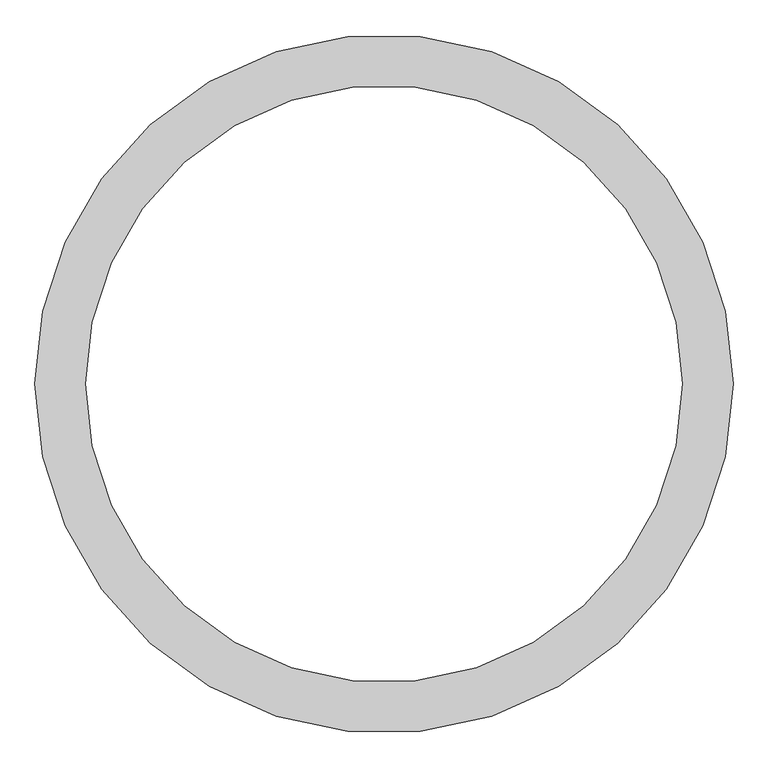
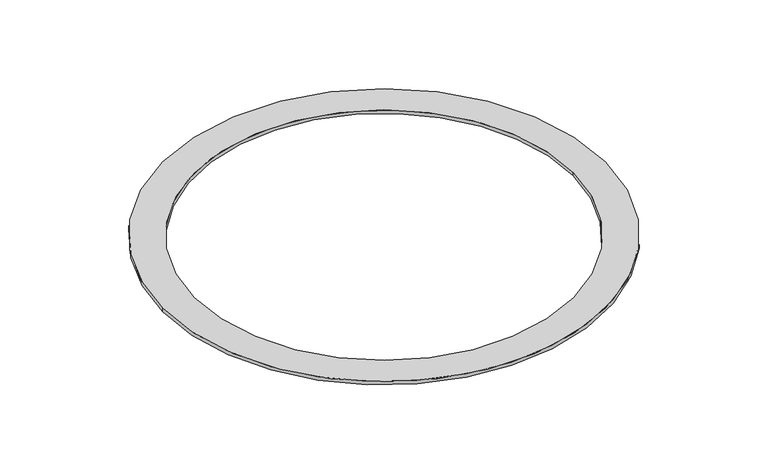
"""IFC4 building model written with IfcOpenShell, lengths in millimetres: furniture geometry."""

import ifcopenshell
import ifcopenshell.guid

model = None  # the IFC model being written
_history = None  # IfcOwnerHistory: only IFC2X3 demands one
_inside = {}  # id of a spatial element -> (the spatial element, [elements in it])
_under = {}  # id of a project, library or spatial element -> (it, [spatial elements below it])
_declared = {}  # id of a project -> (the project, [libraries it declares])
_typed = {}  # id of a type object -> (the type object, [elements of that type])
_made_of = {}  # id of a material, layer set ... -> (it, [elements and type objects made of it])


def new_model(schema):
    """Start an empty IFC model of exactly this schema.

    Asked for "IFC4X3", IfcOpenShell would pick the latest addendum, in which some entities
    have other attributes; the version numbers below select the first issue.
    IFC2X3 requires an IfcOwnerHistory on every rooted entity: one is made here for all.
    """
    global model, _history
    if schema == "IFC4X3":
        model = ifcopenshell.file(schema_version=(4, 3, 0, 0))
    else:
        model = ifcopenshell.file(schema=schema)
    _inside.clear()
    _under.clear()
    _declared.clear()
    _typed.clear()
    _made_of.clear()
    _history = None
    if model.schema == "IFC2X3":
        org = make("IfcOrganization", Name="unknown")
        user = make(
            "IfcPersonAndOrganization",
            ThePerson=make("IfcPerson", FamilyName="unknown"),
            TheOrganization=org,
        )
        app = make(
            "IfcApplication",
            ApplicationDeveloper=org,
            Version="unknown",
            ApplicationFullName="unknown",
            ApplicationIdentifier="unknown",
        )
        _history = make(
            "IfcOwnerHistory",
            OwningUser=user,
            OwningApplication=app,
            ChangeAction="ADDED",
            CreationDate=0,
        )
    return model


def make(cls, **values):
    """One entity of the class cls with the attributes given. An attribute that is None is left unset."""
    return model.create_entity(
        cls, **{name: value for name, value in values.items() if value is not None}
    )


def rooted(cls, **values):
    """An entity with a GlobalId (a new one), such as an element, a storey or a relation."""
    return make(cls, GlobalId=ifcopenshell.guid.new(), OwnerHistory=_history, **values)


def si_unit(unit_type, name, prefix=None):
    """IfcSIUnit, for example si_unit("LENGTHUNIT", "METRE", prefix="MILLI")."""
    return make("IfcSIUnit", UnitType=unit_type, Prefix=prefix, Name=name)


def assignment(units):
    """IfcUnitAssignment: the units of a project."""
    return None if units is None else make("IfcUnitAssignment", Units=units)


def point(xyz):
    """IfcCartesianPoint."""
    return None if xyz is None else make("IfcCartesianPoint", Coordinates=xyz)


def direction(xyz):
    """IfcDirection."""
    return None if xyz is None else make("IfcDirection", DirectionRatios=xyz)


def frame(location, z_axis=None, x_axis=None):
    """IfcAxis2Placement3D, a coordinate frame: its origin and axes. An axis left out is left unset."""
    return make(
        "IfcAxis2Placement3D",
        Location=point(location),
        Axis=direction(z_axis),
        RefDirection=direction(x_axis),
    )


def frame_2d(location, x_axis=None):
    """IfcAxis2Placement2D, a coordinate frame in the plane: its origin and x axis."""
    return make(
        "IfcAxis2Placement2D", Location=point(location), RefDirection=direction(x_axis)
    )


def origin():
    """The frame at (0, 0, 0) with its axes left unset."""
    return frame((0.0, 0.0, 0.0))


def origin_with_axes():
    """The frame at (0, 0, 0) with the z axis (0, 0, 1) and the x axis (1, 0, 0) written out."""
    return frame((0.0, 0.0, 0.0), z_axis=(0.0, 0.0, 1.0), x_axis=(1.0, 0.0, 0.0))


def origin_2d():
    """The frame at (0, 0) in the plane with its x axis left unset."""
    return frame_2d((0.0, 0.0))


def place(relative_to, where):
    """IfcLocalPlacement: puts the frame where relative to a parent placement (None: the world)."""
    return make(
        "IfcLocalPlacement", PlacementRelTo=relative_to, RelativePlacement=where
    )


def context(
    kind, dimensions, precision=None, world=None, true_north=None, identifier=None
):
    """IfcGeometricRepresentationContext, for example the 3D "Model" context."""
    return make(
        "IfcGeometricRepresentationContext",
        ContextIdentifier=identifier,
        ContextType=kind,
        CoordinateSpaceDimension=dimensions,
        Precision=precision,
        WorldCoordinateSystem=world,
        TrueNorth=true_north,
    )


def project(units=None, contexts=None):
    """IfcProject with its units and contexts."""
    return rooted(
        "IfcProject",
        Name="project",
        RepresentationContexts=contexts,
        UnitsInContext=assignment(units),
    )


def spatial(cls, under=None, at=None, **own):
    """A site, building, storey or space (cls), placed at a placement, below another one or the project."""
    s = rooted(cls, ObjectPlacement=at, **own)
    if under is not None:
        _under.setdefault(under.id(), (under, []))[1].append(s)
    return s


def circle_curve(where, radius):
    """IfcCircle in the frame where."""
    return make("IfcCircle", Position=where, Radius=radius)


def trimmed(basis, trim1, trim2, sense, master):
    """IfcTrimmedCurve: the piece of a basis curve between two trims."""
    return make(
        "IfcTrimmedCurve",
        BasisCurve=basis,
        Trim1=trim1,
        Trim2=trim2,
        SenseAgreement=sense,
        MasterRepresentation=master,
    )


def segment(curve, same_sense, transition):
    """IfcCompositeCurveSegment."""
    return make(
        "IfcCompositeCurveSegment",
        Transition=transition,
        SameSense=same_sense,
        ParentCurve=curve,
    )


def composite_curve(segments, self_intersect=None):
    """IfcCompositeCurve: segments joined end to end."""
    return make("IfcCompositeCurve", Segments=segments, SelfIntersect=self_intersect)


def outline(outer, holes=None, kind="AREA"):
    """IfcArbitraryClosedProfileDef: a profile drawn as a closed curve; with holes, ...WithVoids."""
    if holes is None:
        return make("IfcArbitraryClosedProfileDef", ProfileType=kind, OuterCurve=outer)
    return make(
        "IfcArbitraryProfileDefWithVoids",
        ProfileType=kind,
        OuterCurve=outer,
        InnerCurves=holes,
    )


def extrude(swept, where, along, depth):
    """IfcExtrudedAreaSolid: the profile swept, set in the frame where, extruded along a direction by depth."""
    return make(
        "IfcExtrudedAreaSolid",
        SweptArea=swept,
        Position=where,
        ExtrudedDirection=direction(along),
        Depth=depth,
    )


def shape(context_of_items, identifier, shape_type, items):
    """IfcShapeRepresentation: the items that make up one representation, for example the "Body"."""
    return make(
        "IfcShapeRepresentation",
        ContextOfItems=context_of_items,
        RepresentationIdentifier=identifier,
        RepresentationType=shape_type,
        Items=items,
    )


def source(mapping_origin, context_of_items, identifier, shape_type, items):
    """IfcRepresentationMap: a shape defined once, which mapped items show again and again."""
    return make(
        "IfcRepresentationMap",
        MappingOrigin=mapping_origin,
        MappedRepresentation=shape(context_of_items, identifier, shape_type, items),
    )


def transform(
    local_origin,
    x_axis=None,
    y_axis=None,
    z_axis=None,
    scale=None,
    scale2=None,
    scale3=None,
    uniform=True,
):
    """IfcCartesianTransformationOperator3D, or its non-uniform kind. x_axis, y_axis, z_axis: its Axis1, 2, 3."""
    if uniform:
        return make(
            "IfcCartesianTransformationOperator3D",
            Axis1=direction(x_axis),
            Axis2=direction(y_axis),
            LocalOrigin=point(local_origin),
            Scale=scale,
            Axis3=direction(z_axis),
        )
    return make(
        "IfcCartesianTransformationOperator3DnonUniform",
        Axis1=direction(x_axis),
        Axis2=direction(y_axis),
        LocalOrigin=point(local_origin),
        Scale=scale,
        Axis3=direction(z_axis),
        Scale2=scale2,
        Scale3=scale3,
    )


def mapped(mapping_source, mapping_target):
    """IfcMappedItem: shows the shape of a source again, moved by a transform."""
    return make(
        "IfcMappedItem", MappingSource=mapping_source, MappingTarget=mapping_target
    )


def made_of(thing, what):
    """Note that an element or type object is made of a material, layer set ...; save() writes the relation."""
    if what is not None:
        _made_of.setdefault(what.id(), (what, []))[1].append(thing)
    return thing


def element(
    cls,
    number,
    at=None,
    inside=None,
    cuts=None,
    type_object=None,
    material=None,
    context=None,
    identifier="Body",
    shape_type=None,
    held_by="IfcProductDefinitionShape",
    body=None,
    shapes=None,
    **own,
):
    """One element of the class cls, such as IfcWall. Its Tag is "e" and its number.

    at: its placement. inside: the storey or other place that contains it. cuts: it is an
    opening in that element (IfcRelVoidsElement). A single representation is given by context,
    identifier, shape_type and body (its items); several are given by shapes. held_by: the class
    of the entity that holds the representations. save() writes the other relations.
    """
    e = rooted(cls, Tag="e%d" % number, ObjectPlacement=at, **own)
    if body is not None:
        shapes = [shape(context, identifier, shape_type, body)]
    if shapes is not None:
        e.Representation = make(held_by, Representations=shapes)
    if inside is not None:
        _inside.setdefault(inside.id(), (inside, []))[1].append(e)
    if cuts is not None:
        rooted(
            "IfcRelVoidsElement", RelatingBuildingElement=cuts, RelatedOpeningElement=e
        )
    if type_object is not None:
        _typed.setdefault(type_object.id(), (type_object, []))[1].append(e)
    return made_of(e, material)


def aggregate(whole, parts):
    """IfcRelAggregates: a whole, such as a stair, and the parts it consists of."""
    return rooted("IfcRelAggregates", RelatingObject=whole, RelatedObjects=parts)


def save(model, path):
    """Write the relations noted so far, then the file.

    IfcRelAggregates (storeys below a building ...), IfcRelContainedInSpatialStructure (elements
    in a storey), IfcRelDefinesByType, IfcRelAssociatesMaterial and IfcRelDeclares: one each for
    every whole, place, type object, material and project.
    """
    for whole, parts in _under.values():
        aggregate(whole, parts)
    for where, things in _inside.values():
        rooted(
            "IfcRelContainedInSpatialStructure",
            RelatedElements=things,
            RelatingStructure=where,
        )
    for kind, things in _typed.values():
        rooted("IfcRelDefinesByType", RelatedObjects=things, RelatingType=kind)
    for what, things in _made_of.values():
        rooted("IfcRelAssociatesMaterial", RelatedObjects=things, RelatingMaterial=what)
    for by, libraries in _declared.values():
        rooted("IfcRelDeclares", RelatingContext=by, RelatedDefinitions=libraries)
    model.write(path)


def furniture_26ec565f(model_context):
    return source(origin(), model_context, "Body", "SweptSolid", [
        extrude(outline(composite_curve([segment(trimmed(circle_curve(origin_2d(), 616.6565924), [point((-616.6565924, 0.0))], [point((616.6565924, 0.0))], False, "CARTESIAN"), True, "CONTINUOUS"), segment(trimmed(circle_curve(origin_2d(), 616.6565924), [point((616.6565924, 0.0))], [point((-616.6565924, 0.0))], False, "CARTESIAN"), True, "CONTINUOUS")], self_intersect=False), holes=[composite_curve([segment(trimmed(circle_curve(origin_2d(), 526.6565924), [point((526.6565924, 0.0))], [point((-526.6565924, 0.0))], True, "CARTESIAN"), True, "CONTINUOUS"), segment(trimmed(circle_curve(origin_2d(), 526.6565924), [point((-526.6565924, 0.0))], [point((526.6565924, 0.0))], True, "CARTESIAN"), True, "CONTINUOUS")], self_intersect=False)]), origin_with_axes(), (0.0, 0.0, 1.0), 10.0),
    ])


if __name__ == "__main__":
    model = new_model("IFC4")
    model_context = context("Model", 3, world=origin())
    ifc_project = project(units=[si_unit("LENGTHUNIT", "METRE", prefix="MILLI")], contexts=[model_context])
    site = spatial("IfcSite", under=ifc_project)
    building = spatial("IfcBuilding", under=site)
    placement = place(None, origin())
    furniture_shape = furniture_26ec565f(model_context)
    element("IfcFurniture", 1, at=placement, inside=building, context=model_context, shape_type="MappedRepresentation", body=[
        mapped(furniture_shape, transform((0.0, 0.0, 0.0), x_axis=(1.0, 0.0, 0.0), y_axis=(0.0, 1.0, 0.0), z_axis=(0.0, 0.0, 1.0))),
    ])
    save(model, "model.ifc")
